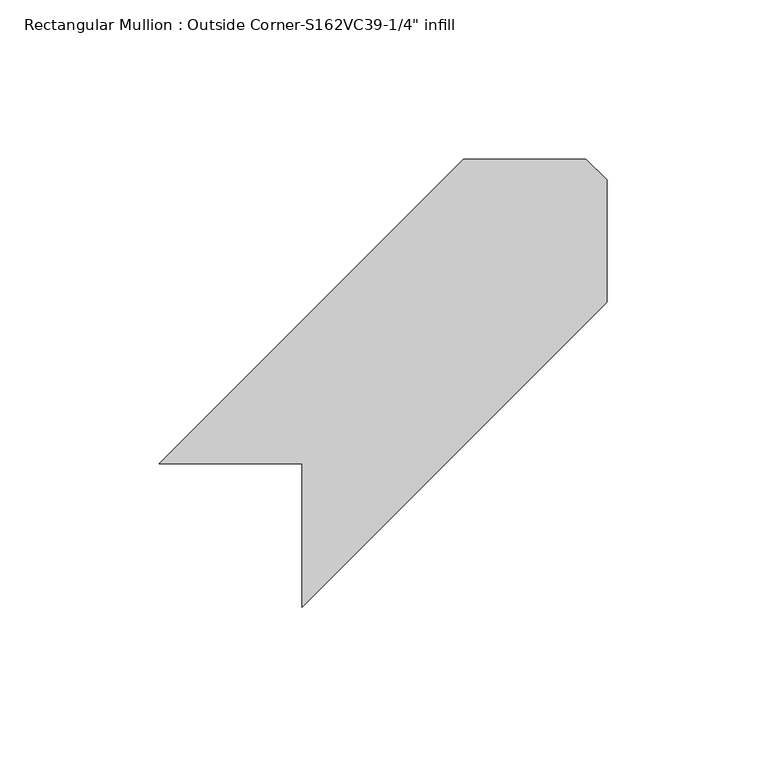
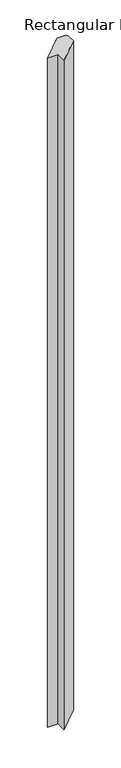
"""IFC4 building model written with IfcOpenShell, lengths in millimetres: member geometry."""

import ifcopenshell
import ifcopenshell.guid

model = None  # the IFC model being written
_history = None  # IfcOwnerHistory: only IFC2X3 demands one
_inside = {}  # id of a spatial element -> (the spatial element, [elements in it])
_under = {}  # id of a project, library or spatial element -> (it, [spatial elements below it])
_declared = {}  # id of a project -> (the project, [libraries it declares])
_typed = {}  # id of a type object -> (the type object, [elements of that type])
_made_of = {}  # id of a material, layer set ... -> (it, [elements and type objects made of it])


def new_model(schema):
    """Start an empty IFC model of exactly this schema.

    Asked for "IFC4X3", IfcOpenShell would pick the latest addendum, in which some entities
    have other attributes; the version numbers below select the first issue.
    IFC2X3 requires an IfcOwnerHistory on every rooted entity: one is made here for all.
    """
    global model, _history
    if schema == "IFC4X3":
        model = ifcopenshell.file(schema_version=(4, 3, 0, 0))
    else:
        model = ifcopenshell.file(schema=schema)
    _inside.clear()
    _under.clear()
    _declared.clear()
    _typed.clear()
    _made_of.clear()
    _history = None
    if model.schema == "IFC2X3":
        org = make("IfcOrganization", Name="unknown")
        user = make(
            "IfcPersonAndOrganization",
            ThePerson=make("IfcPerson", FamilyName="unknown"),
            TheOrganization=org,
        )
        app = make(
            "IfcApplication",
            ApplicationDeveloper=org,
            Version="unknown",
            ApplicationFullName="unknown",
            ApplicationIdentifier="unknown",
        )
        _history = make(
            "IfcOwnerHistory",
            OwningUser=user,
            OwningApplication=app,
            ChangeAction="ADDED",
            CreationDate=0,
        )
    return model


def make(cls, **values):
    """One entity of the class cls with the attributes given. An attribute that is None is left unset."""
    return model.create_entity(
        cls, **{name: value for name, value in values.items() if value is not None}
    )


def rooted(cls, **values):
    """An entity with a GlobalId (a new one), such as an element, a storey or a relation."""
    return make(cls, GlobalId=ifcopenshell.guid.new(), OwnerHistory=_history, **values)


def si_unit(unit_type, name, prefix=None):
    """IfcSIUnit, for example si_unit("LENGTHUNIT", "METRE", prefix="MILLI")."""
    return make("IfcSIUnit", UnitType=unit_type, Prefix=prefix, Name=name)


def assignment(units):
    """IfcUnitAssignment: the units of a project."""
    return None if units is None else make("IfcUnitAssignment", Units=units)


def point(xyz):
    """IfcCartesianPoint."""
    return None if xyz is None else make("IfcCartesianPoint", Coordinates=xyz)


def direction(xyz):
    """IfcDirection."""
    return None if xyz is None else make("IfcDirection", DirectionRatios=xyz)


def frame(location, z_axis=None, x_axis=None):
    """IfcAxis2Placement3D, a coordinate frame: its origin and axes. An axis left out is left unset."""
    return make(
        "IfcAxis2Placement3D",
        Location=point(location),
        Axis=direction(z_axis),
        RefDirection=direction(x_axis),
    )


def origin():
    """The frame at (0, 0, 0) with its axes left unset."""
    return frame((0.0, 0.0, 0.0))


def place(relative_to, where):
    """IfcLocalPlacement: puts the frame where relative to a parent placement (None: the world)."""
    return make(
        "IfcLocalPlacement", PlacementRelTo=relative_to, RelativePlacement=where
    )


def context(
    kind, dimensions, precision=None, world=None, true_north=None, identifier=None
):
    """IfcGeometricRepresentationContext, for example the 3D "Model" context."""
    return make(
        "IfcGeometricRepresentationContext",
        ContextIdentifier=identifier,
        ContextType=kind,
        CoordinateSpaceDimension=dimensions,
        Precision=precision,
        WorldCoordinateSystem=world,
        TrueNorth=true_north,
    )


def project(units=None, contexts=None):
    """IfcProject with its units and contexts."""
    return rooted(
        "IfcProject",
        Name="project",
        RepresentationContexts=contexts,
        UnitsInContext=assignment(units),
    )


def spatial(cls, under=None, at=None, **own):
    """A site, building, storey or space (cls), placed at a placement, below another one or the project."""
    s = rooted(cls, ObjectPlacement=at, **own)
    if under is not None:
        _under.setdefault(under.id(), (under, []))[1].append(s)
    return s


def polyline(points):
    """IfcPolyline through the points."""
    return make("IfcPolyline", Points=[point(p) for p in points])


def outline(outer, holes=None, kind="AREA"):
    """IfcArbitraryClosedProfileDef: a profile drawn as a closed curve; with holes, ...WithVoids."""
    if holes is None:
        return make("IfcArbitraryClosedProfileDef", ProfileType=kind, OuterCurve=outer)
    return make(
        "IfcArbitraryProfileDefWithVoids",
        ProfileType=kind,
        OuterCurve=outer,
        InnerCurves=holes,
    )


def extrude(swept, where, along, depth):
    """IfcExtrudedAreaSolid: the profile swept, set in the frame where, extruded along a direction by depth."""
    return make(
        "IfcExtrudedAreaSolid",
        SweptArea=swept,
        Position=where,
        ExtrudedDirection=direction(along),
        Depth=depth,
    )


def shape(context_of_items, identifier, shape_type, items):
    """IfcShapeRepresentation: the items that make up one representation, for example the "Body"."""
    return make(
        "IfcShapeRepresentation",
        ContextOfItems=context_of_items,
        RepresentationIdentifier=identifier,
        RepresentationType=shape_type,
        Items=items,
    )


def source(mapping_origin, context_of_items, identifier, shape_type, items):
    """IfcRepresentationMap: a shape defined once, which mapped items show again and again."""
    return make(
        "IfcRepresentationMap",
        MappingOrigin=mapping_origin,
        MappedRepresentation=shape(context_of_items, identifier, shape_type, items),
    )


def transform(
    local_origin,
    x_axis=None,
    y_axis=None,
    z_axis=None,
    scale=None,
    scale2=None,
    scale3=None,
    uniform=True,
):
    """IfcCartesianTransformationOperator3D, or its non-uniform kind. x_axis, y_axis, z_axis: its Axis1, 2, 3."""
    if uniform:
        return make(
            "IfcCartesianTransformationOperator3D",
            Axis1=direction(x_axis),
            Axis2=direction(y_axis),
            LocalOrigin=point(local_origin),
            Scale=scale,
            Axis3=direction(z_axis),
        )
    return make(
        "IfcCartesianTransformationOperator3DnonUniform",
        Axis1=direction(x_axis),
        Axis2=direction(y_axis),
        LocalOrigin=point(local_origin),
        Scale=scale,
        Axis3=direction(z_axis),
        Scale2=scale2,
        Scale3=scale3,
    )


def mapped(mapping_source, mapping_target):
    """IfcMappedItem: shows the shape of a source again, moved by a transform."""
    return make(
        "IfcMappedItem", MappingSource=mapping_source, MappingTarget=mapping_target
    )


def made_of(thing, what):
    """Note that an element or type object is made of a material, layer set ...; save() writes the relation."""
    if what is not None:
        _made_of.setdefault(what.id(), (what, []))[1].append(thing)
    return thing


def element(
    cls,
    number,
    at=None,
    inside=None,
    cuts=None,
    type_object=None,
    material=None,
    context=None,
    identifier="Body",
    shape_type=None,
    held_by="IfcProductDefinitionShape",
    body=None,
    shapes=None,
    **own,
):
    """One element of the class cls, such as IfcWall. Its Tag is "e" and its number.

    at: its placement. inside: the storey or other place that contains it. cuts: it is an
    opening in that element (IfcRelVoidsElement). A single representation is given by context,
    identifier, shape_type and body (its items); several are given by shapes. held_by: the class
    of the entity that holds the representations. save() writes the other relations.
    """
    e = rooted(cls, Tag="e%d" % number, ObjectPlacement=at, **own)
    if body is not None:
        shapes = [shape(context, identifier, shape_type, body)]
    if shapes is not None:
        e.Representation = make(held_by, Representations=shapes)
    if inside is not None:
        _inside.setdefault(inside.id(), (inside, []))[1].append(e)
    if cuts is not None:
        rooted(
            "IfcRelVoidsElement", RelatingBuildingElement=cuts, RelatedOpeningElement=e
        )
    if type_object is not None:
        _typed.setdefault(type_object.id(), (type_object, []))[1].append(e)
    return made_of(e, material)


def aggregate(whole, parts):
    """IfcRelAggregates: a whole, such as a stair, and the parts it consists of."""
    return rooted("IfcRelAggregates", RelatingObject=whole, RelatedObjects=parts)


def save(model, path):
    """Write the relations noted so far, then the file.

    IfcRelAggregates (storeys below a building ...), IfcRelContainedInSpatialStructure (elements
    in a storey), IfcRelDefinesByType, IfcRelAssociatesMaterial and IfcRelDeclares: one each for
    every whole, place, type object, material and project.
    """
    for whole, parts in _under.values():
        aggregate(whole, parts)
    for where, things in _inside.values():
        rooted(
            "IfcRelContainedInSpatialStructure",
            RelatedElements=things,
            RelatingStructure=where,
        )
    for kind, things in _typed.values():
        rooted("IfcRelDefinesByType", RelatedObjects=things, RelatingType=kind)
    for what, things in _made_of.values():
        rooted("IfcRelAssociatesMaterial", RelatedObjects=things, RelatingMaterial=what)
    for by, libraries in _declared.values():
        rooted("IfcRelDeclares", RelatingContext=by, RelatedDefinitions=libraries)
    model.write(path)


def member_f4aa825f(model_context):
    return source(origin(), model_context, "Body", "SweptSolid", [
        extrude(outline(polyline([(-183.3947806, -138.4935), (-228.2960612, -138.4935), (-132.6650612, -42.8625), (-94.229565, -42.8625), (-87.7637806, -49.3282844), (-87.7637806, -87.7637806), (-183.3947806, -183.3947806), (-183.3947806, -138.4935)])), frame((0.0, 0.0, -3048.0), z_axis=(0.0, 0.0, 1.0), x_axis=(1.0, 0.0, 0.0)), (0.0, 0.0, 1.0), 3048.0),
    ])


if __name__ == "__main__":
    model = new_model("IFC4")
    model_context = context("Model", 3, world=origin())
    ifc_project = project(units=[si_unit("LENGTHUNIT", "METRE", prefix="MILLI")], contexts=[model_context])
    site = spatial("IfcSite", under=ifc_project)
    building = spatial("IfcBuilding", under=site)
    placement = place(None, origin())
    member_shape = member_f4aa825f(model_context)
    element("IfcMember", 1, ObjectType="Rectangular Mullion : Outside Corner-S162VC39-1/4\" infill", at=placement, inside=building, context=model_context, shape_type="MappedRepresentation", body=[
        mapped(member_shape, transform((0.0, 0.0, 0.0), x_axis=(1.0, 0.0, 0.0), y_axis=(0.0, 1.0, 0.0), z_axis=(0.0, 0.0, 1.0))),
    ])
    save(model, "model.ifc")
